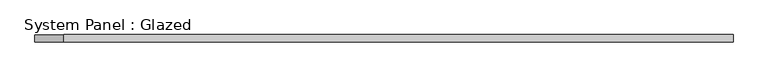
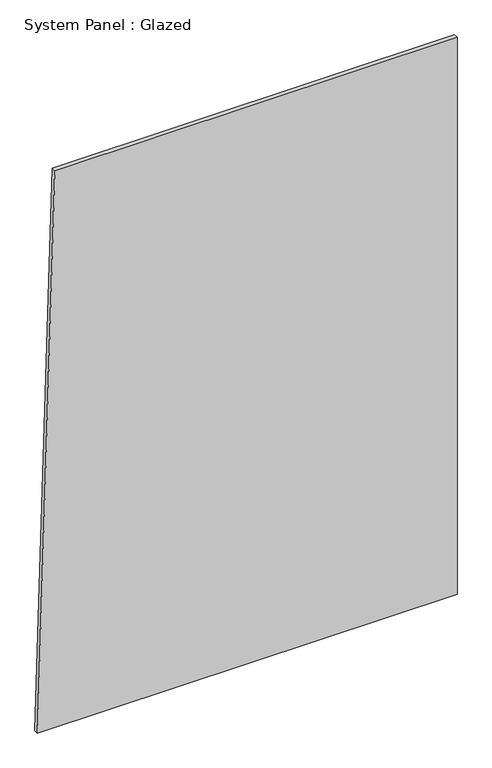
"""IFC4 building model written with IfcOpenShell, lengths in millimetres: plate geometry, System Panel : Glazed."""

from ifc_helpers import new_model, si_unit, frame, origin, place, context, project, spatial, polyline, outline, extrude, source, transform, mapped, element, save


def system_panel_glazed_33261255(model_context):
    return source(origin(), model_context, "Body", "SweptSolid", [
        extrude(outline(polyline([(0.0, -1190.1130668), (0.0, 1190.1130668), (3338.9590981, 1190.1130668), (3338.9590981, -1091.4460258), (0.0, -1190.1130668)])), frame((0.0, -49.5, 0.0), z_axis=(0.0, 1.0, 0.0), x_axis=(0.0, 0.0, 1.0)), (0.0, 0.0, 1.0), 25.0),
    ])


if __name__ == "__main__":
    model = new_model("IFC4")
    model_context = context("Model", 3, world=origin())
    ifc_project = project(units=[si_unit("LENGTHUNIT", "METRE", prefix="MILLI")], contexts=[model_context])
    site = spatial("IfcSite", under=ifc_project)
    building = spatial("IfcBuilding", under=site)
    placement = place(None, origin())
    system_panel_glazed_shape = system_panel_glazed_33261255(model_context)
    element("IfcPlate", 1, ObjectType="System Panel : Glazed", at=placement, inside=building, context=model_context, shape_type="MappedRepresentation", body=[
        mapped(system_panel_glazed_shape, transform((0.0, 0.0, 0.0), x_axis=(1.0, 0.0, 0.0), y_axis=(0.0, 1.0, 0.0), z_axis=(0.0, 0.0, 1.0))),
    ])
    save(model, "model.ifc")
